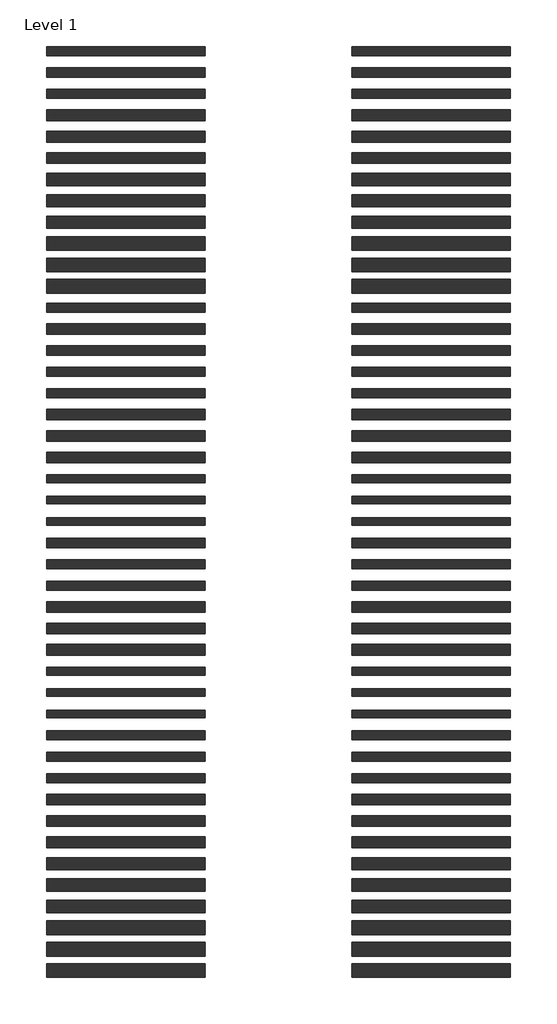
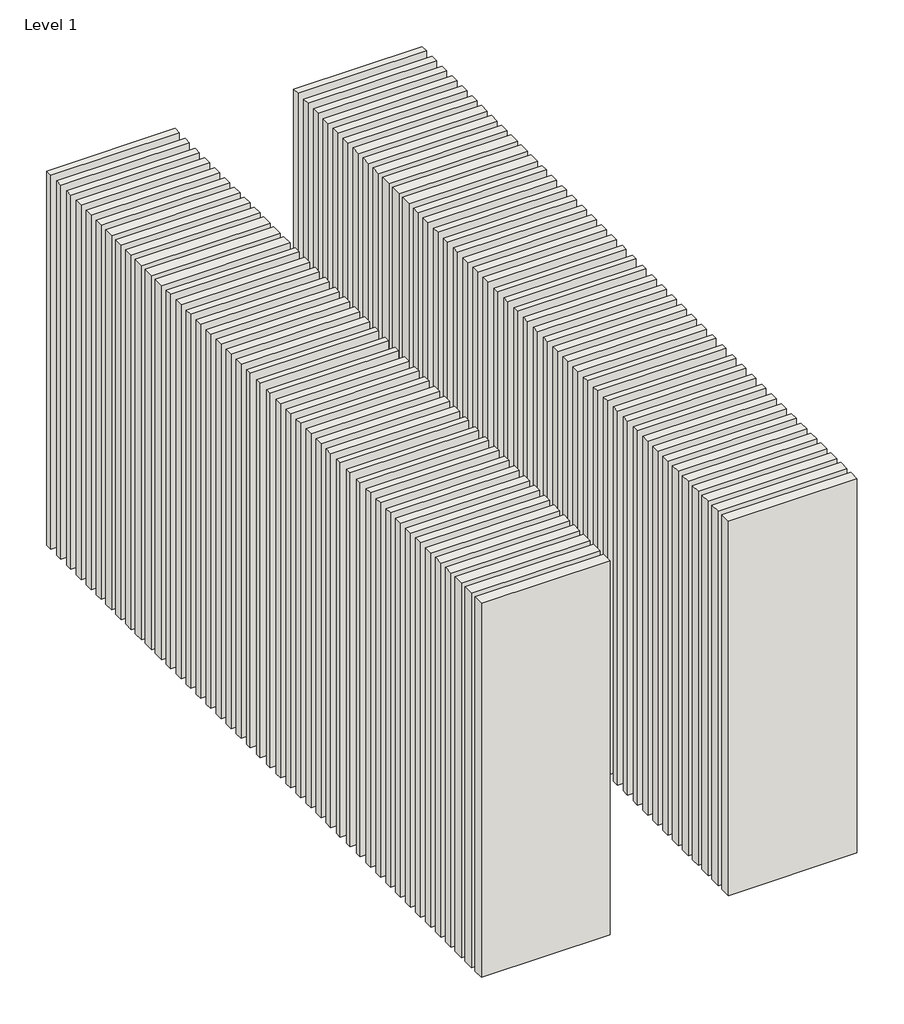
# One storey: 88 walls.
"""IFC4 building model written with IfcOpenShell, lengths in millimetres."""

from ifc_helpers import new_model, si_unit, origin, origin_with_axes, place, context, project, spatial, polyline, outline, extrude, element, save

model = new_model("IFC4")

# Units and contexts
model_context = context("Model", 3, world=origin())
ifc_project = project(units=[si_unit("LENGTHUNIT", "METRE", prefix="MILLI")], contexts=[model_context])

# Site, building, storey
site = spatial("IfcSite", under=ifc_project)
building = spatial("IfcBuilding", under=site)
storey = spatial("IfcBuildingStorey", under=building, Name="Level 1", Elevation=0.0)

# Walls
placement = place(None, origin())
element("IfcWall", 1, at=placement, inside=storey, context=model_context, shape_type="SweptSolid", body=[
    extrude(outline(polyline([(-16904.1464237, 3662.5198817), (-19504.1464237, 3662.5198817), (-19504.1464237, 3812.5198817), (-16904.1464237, 3812.5198817), (-16904.1464237, 3662.5198817)])), origin_with_axes(), (0.0, 0.0, 1.0), 8000.0),
])
element("IfcWall", 2, at=placement, inside=storey, context=model_context, shape_type="SweptSolid", body=[
    extrude(outline(polyline([(-16904.1464237, 3312.5198817), (-19504.1464237, 3312.5198817), (-19504.1464237, 3462.5198817), (-16904.1464237, 3462.5198817), (-16904.1464237, 3312.5198817)])), origin_with_axes(), (0.0, 0.0, 1.0), 8000.0),
])
element("IfcWall", 3, at=placement, inside=storey, context=model_context, shape_type="SweptSolid", body=[
    extrude(outline(polyline([(-16904.1464237, 2962.5198817), (-19504.1464237, 2962.5198817), (-19504.1464237, 3112.5198817), (-16904.1464237, 3112.5198817), (-16904.1464237, 2962.5198817)])), origin_with_axes(), (0.0, 0.0, 1.0), 8000.0),
])
element("IfcWall", 4, at=placement, inside=storey, context=model_context, shape_type="SweptSolid", body=[
    extrude(outline(polyline([(-16904.1464237, 2600.0198817), (-19504.1464237, 2600.0198817), (-19504.1464237, 2775.0198817), (-16904.1464237, 2775.0198817), (-16904.1464237, 2600.0198817)])), origin_with_axes(), (0.0, 0.0, 1.0), 8000.0),
])
element("IfcWall", 5, at=placement, inside=storey, context=model_context, shape_type="SweptSolid", body=[
    extrude(outline(polyline([(-16904.1464237, 2250.0198817), (-19504.1464237, 2250.0198817), (-19504.1464237, 2425.0198817), (-16904.1464237, 2425.0198817), (-16904.1464237, 2250.0198817)])), origin_with_axes(), (0.0, 0.0, 1.0), 8000.0),
])
element("IfcWall", 6, at=placement, inside=storey, context=model_context, shape_type="SweptSolid", body=[
    extrude(outline(polyline([(-16904.1464237, 1900.0198817), (-19504.1464237, 1900.0198817), (-19504.1464237, 2075.0198817), (-16904.1464237, 2075.0198817), (-16904.1464237, 1900.0198817)])), origin_with_axes(), (0.0, 0.0, 1.0), 8000.0),
])
element("IfcWall", 7, at=placement, inside=storey, context=model_context, shape_type="SweptSolid", body=[
    extrude(outline(polyline([(-16904.1464237, 1537.5198817), (-19504.1464237, 1537.5198817), (-19504.1464237, 1737.5198817), (-16904.1464237, 1737.5198817), (-16904.1464237, 1537.5198817)])), origin_with_axes(), (0.0, 0.0, 1.0), 8000.0),
])
element("IfcWall", 8, at=placement, inside=storey, context=model_context, shape_type="SweptSolid", body=[
    extrude(outline(polyline([(-16904.1464237, 1187.5198817), (-19504.1464237, 1187.5198817), (-19504.1464237, 1387.5198817), (-16904.1464237, 1387.5198817), (-16904.1464237, 1187.5198817)])), origin_with_axes(), (0.0, 0.0, 1.0), 8000.0),
])
element("IfcWall", 9, at=placement, inside=storey, context=model_context, shape_type="SweptSolid", body=[
    extrude(outline(polyline([(-16904.1464237, 837.5198817), (-19504.1464237, 837.5198817), (-19504.1464237, 1037.5198817), (-16904.1464237, 1037.5198817), (-16904.1464237, 837.5198817)])), origin_with_axes(), (0.0, 0.0, 1.0), 8000.0),
])
element("IfcWall", 10, at=placement, inside=storey, context=model_context, shape_type="SweptSolid", body=[
    extrude(outline(polyline([(-16904.1464237, 475.0198817), (-19504.1464237, 475.0198817), (-19504.1464237, 700.0198817), (-16904.1464237, 700.0198817), (-16904.1464237, 475.0198817)])), origin_with_axes(), (0.0, 0.0, 1.0), 8000.0),
])
element("IfcWall", 11, at=placement, inside=storey, context=model_context, shape_type="SweptSolid", body=[
    extrude(outline(polyline([(-16904.1464237, 125.0198817), (-19504.1464237, 125.0198817), (-19504.1464237, 350.0198817), (-16904.1464237, 350.0198817), (-16904.1464237, 125.0198817)])), origin_with_axes(), (0.0, 0.0, 1.0), 8000.0),
])
element("IfcWall", 12, at=placement, inside=storey, context=model_context, shape_type="SweptSolid", body=[
    extrude(outline(polyline([(-16904.1464237, -224.9801183), (-19504.1464237, -224.9801183), (-19504.1464237, 0.0198817), (-16904.1464237, 0.0198817), (-16904.1464237, -224.9801183)])), origin_with_axes(), (0.0, 0.0, 1.0), 8000.0),
])
element("IfcWall", 13, at=placement, inside=storey, context=model_context, shape_type="SweptSolid", body=[
    extrude(outline(polyline([(-16904.1464237, -537.4801183), (-19504.1464237, -537.4801183), (-19504.1464237, -387.4801183), (-16904.1464237, -387.4801183), (-16904.1464237, -537.4801183)])), origin_with_axes(), (0.0, 0.0, 1.0), 8000.0),
])
element("IfcWall", 14, at=placement, inside=storey, context=model_context, shape_type="SweptSolid", body=[
    extrude(outline(polyline([(-16904.1464237, -899.9801183), (-19504.1464237, -899.9801183), (-19504.1464237, -724.9801183), (-16904.1464237, -724.9801183), (-16904.1464237, -899.9801183)])), origin_with_axes(), (0.0, 0.0, 1.0), 8000.0),
])
element("IfcWall", 15, at=placement, inside=storey, context=model_context, shape_type="SweptSolid", body=[
    extrude(outline(polyline([(-16904.1464237, -1237.4801183), (-19504.1464237, -1237.4801183), (-19504.1464237, -1087.4801183), (-16904.1464237, -1087.4801183), (-16904.1464237, -1237.4801183)])), origin_with_axes(), (0.0, 0.0, 1.0), 8000.0),
])
element("IfcWall", 16, at=placement, inside=storey, context=model_context, shape_type="SweptSolid", body=[
    extrude(outline(polyline([(-16904.1464237, -1587.4801183), (-19504.1464237, -1587.4801183), (-19504.1464237, -1437.4801183), (-16904.1464237, -1437.4801183), (-16904.1464237, -1587.4801183)])), origin_with_axes(), (0.0, 0.0, 1.0), 8000.0),
])
element("IfcWall", 17, at=placement, inside=storey, context=model_context, shape_type="SweptSolid", body=[
    extrude(outline(polyline([(-16904.1464237, -1937.4801183), (-19504.1464237, -1937.4801183), (-19504.1464237, -1787.4801183), (-16904.1464237, -1787.4801183), (-16904.1464237, -1937.4801183)])), origin_with_axes(), (0.0, 0.0, 1.0), 8000.0),
])
element("IfcWall", 18, at=placement, inside=storey, context=model_context, shape_type="SweptSolid", body=[
    extrude(outline(polyline([(-16904.1464237, -2299.9801183), (-19504.1464237, -2299.9801183), (-19504.1464237, -2124.9801183), (-16904.1464237, -2124.9801183), (-16904.1464237, -2299.9801183)])), origin_with_axes(), (0.0, 0.0, 1.0), 8000.0),
])
element("IfcWall", 19, at=placement, inside=storey, context=model_context, shape_type="SweptSolid", body=[
    extrude(outline(polyline([(-16904.1464237, -2649.9801183), (-19504.1464237, -2649.9801183), (-19504.1464237, -2474.9801183), (-16904.1464237, -2474.9801183), (-16904.1464237, -2649.9801183)])), origin_with_axes(), (0.0, 0.0, 1.0), 8000.0),
])
element("IfcWall", 20, at=placement, inside=storey, context=model_context, shape_type="SweptSolid", body=[
    extrude(outline(polyline([(-16904.1464237, -2999.9801183), (-19504.1464237, -2999.9801183), (-19504.1464237, -2824.9801183), (-16904.1464237, -2824.9801183), (-16904.1464237, -2999.9801183)])), origin_with_axes(), (0.0, 0.0, 1.0), 8000.0),
])
element("IfcWall", 21, at=placement, inside=storey, context=model_context, shape_type="SweptSolid", body=[
    extrude(outline(polyline([(-16904.1464237, -3324.9801183), (-19504.1464237, -3324.9801183), (-19504.1464237, -3199.9801183), (-16904.1464237, -3199.9801183), (-16904.1464237, -3324.9801183)])), origin_with_axes(), (0.0, 0.0, 1.0), 8000.0),
])
element("IfcWall", 22, at=placement, inside=storey, context=model_context, shape_type="SweptSolid", body=[
    extrude(outline(polyline([(-16904.1464237, -3674.9801183), (-19504.1464237, -3674.9801183), (-19504.1464237, -3549.9801183), (-16904.1464237, -3549.9801183), (-16904.1464237, -3674.9801183)])), origin_with_axes(), (0.0, 0.0, 1.0), 8000.0),
])
element("IfcWall", 23, at=placement, inside=storey, context=model_context, shape_type="SweptSolid", body=[
    extrude(outline(polyline([(-16904.1464237, -4024.9801183), (-19504.1464237, -4024.9801183), (-19504.1464237, -3899.9801183), (-16904.1464237, -3899.9801183), (-16904.1464237, -4024.9801183)])), origin_with_axes(), (0.0, 0.0, 1.0), 8000.0),
])
element("IfcWall", 24, at=placement, inside=storey, context=model_context, shape_type="SweptSolid", body=[
    extrude(outline(polyline([(-16904.1464237, -4387.4801183), (-19504.1464237, -4387.4801183), (-19504.1464237, -4237.4801183), (-16904.1464237, -4237.4801183), (-16904.1464237, -4387.4801183)])), origin_with_axes(), (0.0, 0.0, 1.0), 8000.0),
])
element("IfcWall", 25, at=placement, inside=storey, context=model_context, shape_type="SweptSolid", body=[
    extrude(outline(polyline([(-16904.1464237, -4737.4801183), (-19504.1464237, -4737.4801183), (-19504.1464237, -4587.4801183), (-16904.1464237, -4587.4801183), (-16904.1464237, -4737.4801183)])), origin_with_axes(), (0.0, 0.0, 1.0), 8000.0),
])
element("IfcWall", 26, at=placement, inside=storey, context=model_context, shape_type="SweptSolid", body=[
    extrude(outline(polyline([(-16904.1464237, -5087.4801183), (-19504.1464237, -5087.4801183), (-19504.1464237, -4937.4801183), (-16904.1464237, -4937.4801183), (-16904.1464237, -5087.4801183)])), origin_with_axes(), (0.0, 0.0, 1.0), 8000.0),
])
element("IfcWall", 27, at=placement, inside=storey, context=model_context, shape_type="SweptSolid", body=[
    extrude(outline(polyline([(-16904.1464237, -5449.9801183), (-19504.1464237, -5449.9801183), (-19504.1464237, -5274.9801183), (-16904.1464237, -5274.9801183), (-16904.1464237, -5449.9801183)])), origin_with_axes(), (0.0, 0.0, 1.0), 8000.0),
])
element("IfcWall", 28, at=placement, inside=storey, context=model_context, shape_type="SweptSolid", body=[
    extrude(outline(polyline([(-16904.1464237, -5799.9801183), (-19504.1464237, -5799.9801183), (-19504.1464237, -5624.9801183), (-16904.1464237, -5624.9801183), (-16904.1464237, -5799.9801183)])), origin_with_axes(), (0.0, 0.0, 1.0), 8000.0),
])
element("IfcWall", 29, at=placement, inside=storey, context=model_context, shape_type="SweptSolid", body=[
    extrude(outline(polyline([(-16904.1464237, -6149.9801183), (-19504.1464237, -6149.9801183), (-19504.1464237, -5974.9801183), (-16904.1464237, -5974.9801183), (-16904.1464237, -6149.9801183)])), origin_with_axes(), (0.0, 0.0, 1.0), 8000.0),
])
element("IfcWall", 30, at=placement, inside=storey, context=model_context, shape_type="SweptSolid", body=[
    extrude(outline(polyline([(-16904.1464237, -6474.9801183), (-19504.1464237, -6474.9801183), (-19504.1464237, -6349.9801183), (-16904.1464237, -6349.9801183), (-16904.1464237, -6474.9801183)])), origin_with_axes(), (0.0, 0.0, 1.0), 8000.0),
])
element("IfcWall", 31, at=placement, inside=storey, context=model_context, shape_type="SweptSolid", body=[
    extrude(outline(polyline([(-16904.1464237, -6824.9801183), (-19504.1464237, -6824.9801183), (-19504.1464237, -6699.9801183), (-16904.1464237, -6699.9801183), (-16904.1464237, -6824.9801183)])), origin_with_axes(), (0.0, 0.0, 1.0), 8000.0),
])
element("IfcWall", 32, at=placement, inside=storey, context=model_context, shape_type="SweptSolid", body=[
    extrude(outline(polyline([(-16904.1464237, -7174.9801183), (-19504.1464237, -7174.9801183), (-19504.1464237, -7049.9801183), (-16904.1464237, -7049.9801183), (-16904.1464237, -7174.9801183)])), origin_with_axes(), (0.0, 0.0, 1.0), 8000.0),
])
element("IfcWall", 33, at=placement, inside=storey, context=model_context, shape_type="SweptSolid", body=[
    extrude(outline(polyline([(-16904.1464237, -7537.4801183), (-19504.1464237, -7537.4801183), (-19504.1464237, -7387.4801183), (-16904.1464237, -7387.4801183), (-16904.1464237, -7537.4801183)])), origin_with_axes(), (0.0, 0.0, 1.0), 8000.0),
])
element("IfcWall", 34, at=placement, inside=storey, context=model_context, shape_type="SweptSolid", body=[
    extrude(outline(polyline([(-16904.1464237, -7887.4801183), (-19504.1464237, -7887.4801183), (-19504.1464237, -7737.4801183), (-16904.1464237, -7737.4801183), (-16904.1464237, -7887.4801183)])), origin_with_axes(), (0.0, 0.0, 1.0), 8000.0),
])
element("IfcWall", 35, at=placement, inside=storey, context=model_context, shape_type="SweptSolid", body=[
    extrude(outline(polyline([(-16904.1464237, -8237.4801183), (-19504.1464237, -8237.4801183), (-19504.1464237, -8087.4801183), (-16904.1464237, -8087.4801183), (-16904.1464237, -8237.4801183)])), origin_with_axes(), (0.0, 0.0, 1.0), 8000.0),
])
element("IfcWall", 36, at=placement, inside=storey, context=model_context, shape_type="SweptSolid", body=[
    extrude(outline(polyline([(-16904.1464237, -8599.9801183), (-19504.1464237, -8599.9801183), (-19504.1464237, -8424.9801183), (-16904.1464237, -8424.9801183), (-16904.1464237, -8599.9801183)])), origin_with_axes(), (0.0, 0.0, 1.0), 8000.0),
])
element("IfcWall", 37, at=placement, inside=storey, context=model_context, shape_type="SweptSolid", body=[
    extrude(outline(polyline([(-16904.1464237, -8949.9801183), (-19504.1464237, -8949.9801183), (-19504.1464237, -8774.9801183), (-16904.1464237, -8774.9801183), (-16904.1464237, -8949.9801183)])), origin_with_axes(), (0.0, 0.0, 1.0), 8000.0),
])
element("IfcWall", 38, at=placement, inside=storey, context=model_context, shape_type="SweptSolid", body=[
    extrude(outline(polyline([(-16904.1464237, -9299.9801183), (-19504.1464237, -9299.9801183), (-19504.1464237, -9124.9801183), (-16904.1464237, -9124.9801183), (-16904.1464237, -9299.9801183)])), origin_with_axes(), (0.0, 0.0, 1.0), 8000.0),
])
element("IfcWall", 39, at=placement, inside=storey, context=model_context, shape_type="SweptSolid", body=[
    extrude(outline(polyline([(-16904.1464237, -9662.4801183), (-19504.1464237, -9662.4801183), (-19504.1464237, -9462.4801183), (-16904.1464237, -9462.4801183), (-16904.1464237, -9662.4801183)])), origin_with_axes(), (0.0, 0.0, 1.0), 8000.0),
])
element("IfcWall", 40, at=placement, inside=storey, context=model_context, shape_type="SweptSolid", body=[
    extrude(outline(polyline([(-16904.1464237, -10012.4801183), (-19504.1464237, -10012.4801183), (-19504.1464237, -9812.4801183), (-16904.1464237, -9812.4801183), (-16904.1464237, -10012.4801183)])), origin_with_axes(), (0.0, 0.0, 1.0), 8000.0),
])
element("IfcWall", 41, at=placement, inside=storey, context=model_context, shape_type="SweptSolid", body=[
    extrude(outline(polyline([(-16904.1464237, -10362.4801183), (-19504.1464237, -10362.4801183), (-19504.1464237, -10162.4801183), (-16904.1464237, -10162.4801183), (-16904.1464237, -10362.4801183)])), origin_with_axes(), (0.0, 0.0, 1.0), 8000.0),
])
element("IfcWall", 42, at=placement, inside=storey, context=model_context, shape_type="SweptSolid", body=[
    extrude(outline(polyline([(-16904.1464237, -10724.9801183), (-19504.1464237, -10724.9801183), (-19504.1464237, -10499.9801183), (-16904.1464237, -10499.9801183), (-16904.1464237, -10724.9801183)])), origin_with_axes(), (0.0, 0.0, 1.0), 8000.0),
])
element("IfcWall", 43, at=placement, inside=storey, context=model_context, shape_type="SweptSolid", body=[
    extrude(outline(polyline([(-16904.1464237, -11074.9801183), (-19504.1464237, -11074.9801183), (-19504.1464237, -10849.9801183), (-16904.1464237, -10849.9801183), (-16904.1464237, -11074.9801183)])), origin_with_axes(), (0.0, 0.0, 1.0), 8000.0),
])
element("IfcWall", 44, at=placement, inside=storey, context=model_context, shape_type="SweptSolid", body=[
    extrude(outline(polyline([(-16904.1464237, -11424.9801183), (-19504.1464237, -11424.9801183), (-19504.1464237, -11199.9801183), (-16904.1464237, -11199.9801183), (-16904.1464237, -11424.9801183)])), origin_with_axes(), (0.0, 0.0, 1.0), 8000.0),
])
element("IfcWall", 45, at=placement, inside=storey, context=model_context, shape_type="SweptSolid", body=[
    extrude(outline(polyline([(-11904.1464237, 3662.5198817), (-14504.1464237, 3662.5198817), (-14504.1464237, 3812.5198817), (-11904.1464237, 3812.5198817), (-11904.1464237, 3662.5198817)])), origin_with_axes(), (0.0, 0.0, 1.0), 8000.0),
])
element("IfcWall", 46, at=placement, inside=storey, context=model_context, shape_type="SweptSolid", body=[
    extrude(outline(polyline([(-11904.1464237, 3312.5198817), (-14504.1464237, 3312.5198817), (-14504.1464237, 3462.5198817), (-11904.1464237, 3462.5198817), (-11904.1464237, 3312.5198817)])), origin_with_axes(), (0.0, 0.0, 1.0), 8000.0),
])
element("IfcWall", 47, at=placement, inside=storey, context=model_context, shape_type="SweptSolid", body=[
    extrude(outline(polyline([(-11904.1464237, 2962.5198817), (-14504.1464237, 2962.5198817), (-14504.1464237, 3112.5198817), (-11904.1464237, 3112.5198817), (-11904.1464237, 2962.5198817)])), origin_with_axes(), (0.0, 0.0, 1.0), 8000.0),
])
element("IfcWall", 48, at=placement, inside=storey, context=model_context, shape_type="SweptSolid", body=[
    extrude(outline(polyline([(-11904.1464237, 2600.0198817), (-14504.1464237, 2600.0198817), (-14504.1464237, 2775.0198817), (-11904.1464237, 2775.0198817), (-11904.1464237, 2600.0198817)])), origin_with_axes(), (0.0, 0.0, 1.0), 8000.0),
])
element("IfcWall", 49, at=placement, inside=storey, context=model_context, shape_type="SweptSolid", body=[
    extrude(outline(polyline([(-11904.1464237, 2250.0198817), (-14504.1464237, 2250.0198817), (-14504.1464237, 2425.0198817), (-11904.1464237, 2425.0198817), (-11904.1464237, 2250.0198817)])), origin_with_axes(), (0.0, 0.0, 1.0), 8000.0),
])
element("IfcWall", 50, at=placement, inside=storey, context=model_context, shape_type="SweptSolid", body=[
    extrude(outline(polyline([(-11904.1464237, 1900.0198817), (-14504.1464237, 1900.0198817), (-14504.1464237, 2075.0198817), (-11904.1464237, 2075.0198817), (-11904.1464237, 1900.0198817)])), origin_with_axes(), (0.0, 0.0, 1.0), 8000.0),
])
element("IfcWall", 51, at=placement, inside=storey, context=model_context, shape_type="SweptSolid", body=[
    extrude(outline(polyline([(-11904.1464237, 1537.5198817), (-14504.1464237, 1537.5198817), (-14504.1464237, 1737.5198817), (-11904.1464237, 1737.5198817), (-11904.1464237, 1537.5198817)])), origin_with_axes(), (0.0, 0.0, 1.0), 8000.0),
])
element("IfcWall", 52, at=placement, inside=storey, context=model_context, shape_type="SweptSolid", body=[
    extrude(outline(polyline([(-11904.1464237, 1187.5198817), (-14504.1464237, 1187.5198817), (-14504.1464237, 1387.5198817), (-11904.1464237, 1387.5198817), (-11904.1464237, 1187.5198817)])), origin_with_axes(), (0.0, 0.0, 1.0), 8000.0),
])
element("IfcWall", 53, at=placement, inside=storey, context=model_context, shape_type="SweptSolid", body=[
    extrude(outline(polyline([(-11904.1464237, 837.5198817), (-14504.1464237, 837.5198817), (-14504.1464237, 1037.5198817), (-11904.1464237, 1037.5198817), (-11904.1464237, 837.5198817)])), origin_with_axes(), (0.0, 0.0, 1.0), 8000.0),
])
element("IfcWall", 54, at=placement, inside=storey, context=model_context, shape_type="SweptSolid", body=[
    extrude(outline(polyline([(-11904.1464237, 475.0198817), (-14504.1464237, 475.0198817), (-14504.1464237, 700.0198817), (-11904.1464237, 700.0198817), (-11904.1464237, 475.0198817)])), origin_with_axes(), (0.0, 0.0, 1.0), 8000.0),
])
element("IfcWall", 55, at=placement, inside=storey, context=model_context, shape_type="SweptSolid", body=[
    extrude(outline(polyline([(-11904.1464237, 125.0198817), (-14504.1464237, 125.0198817), (-14504.1464237, 350.0198817), (-11904.1464237, 350.0198817), (-11904.1464237, 125.0198817)])), origin_with_axes(), (0.0, 0.0, 1.0), 8000.0),
])
element("IfcWall", 56, at=placement, inside=storey, context=model_context, shape_type="SweptSolid", body=[
    extrude(outline(polyline([(-11904.1464237, -224.9801183), (-14504.1464237, -224.9801183), (-14504.1464237, 0.0198817), (-11904.1464237, 0.0198817), (-11904.1464237, -224.9801183)])), origin_with_axes(), (0.0, 0.0, 1.0), 8000.0),
])
element("IfcWall", 57, at=placement, inside=storey, context=model_context, shape_type="SweptSolid", body=[
    extrude(outline(polyline([(-11904.1464237, -537.4801183), (-14504.1464237, -537.4801183), (-14504.1464237, -387.4801183), (-11904.1464237, -387.4801183), (-11904.1464237, -537.4801183)])), origin_with_axes(), (0.0, 0.0, 1.0), 8000.0),
])
element("IfcWall", 58, at=placement, inside=storey, context=model_context, shape_type="SweptSolid", body=[
    extrude(outline(polyline([(-11904.1464237, -899.9801183), (-14504.1464237, -899.9801183), (-14504.1464237, -724.9801183), (-11904.1464237, -724.9801183), (-11904.1464237, -899.9801183)])), origin_with_axes(), (0.0, 0.0, 1.0), 8000.0),
])
element("IfcWall", 59, at=placement, inside=storey, context=model_context, shape_type="SweptSolid", body=[
    extrude(outline(polyline([(-11904.1464237, -1237.4801183), (-14504.1464237, -1237.4801183), (-14504.1464237, -1087.4801183), (-11904.1464237, -1087.4801183), (-11904.1464237, -1237.4801183)])), origin_with_axes(), (0.0, 0.0, 1.0), 8000.0),
])
element("IfcWall", 60, at=placement, inside=storey, context=model_context, shape_type="SweptSolid", body=[
    extrude(outline(polyline([(-11904.1464237, -1587.4801183), (-14504.1464237, -1587.4801183), (-14504.1464237, -1437.4801183), (-11904.1464237, -1437.4801183), (-11904.1464237, -1587.4801183)])), origin_with_axes(), (0.0, 0.0, 1.0), 8000.0),
])
element("IfcWall", 61, at=placement, inside=storey, context=model_context, shape_type="SweptSolid", body=[
    extrude(outline(polyline([(-11904.1464237, -1937.4801183), (-14504.1464237, -1937.4801183), (-14504.1464237, -1787.4801183), (-11904.1464237, -1787.4801183), (-11904.1464237, -1937.4801183)])), origin_with_axes(), (0.0, 0.0, 1.0), 8000.0),
])
element("IfcWall", 62, at=placement, inside=storey, context=model_context, shape_type="SweptSolid", body=[
    extrude(outline(polyline([(-11904.1464237, -2299.9801183), (-14504.1464237, -2299.9801183), (-14504.1464237, -2124.9801183), (-11904.1464237, -2124.9801183), (-11904.1464237, -2299.9801183)])), origin_with_axes(), (0.0, 0.0, 1.0), 8000.0),
])
element("IfcWall", 63, at=placement, inside=storey, context=model_context, shape_type="SweptSolid", body=[
    extrude(outline(polyline([(-11904.1464237, -2649.9801183), (-14504.1464237, -2649.9801183), (-14504.1464237, -2474.9801183), (-11904.1464237, -2474.9801183), (-11904.1464237, -2649.9801183)])), origin_with_axes(), (0.0, 0.0, 1.0), 8000.0),
])
element("IfcWall", 64, at=placement, inside=storey, context=model_context, shape_type="SweptSolid", body=[
    extrude(outline(polyline([(-11904.1464237, -2999.9801183), (-14504.1464237, -2999.9801183), (-14504.1464237, -2824.9801183), (-11904.1464237, -2824.9801183), (-11904.1464237, -2999.9801183)])), origin_with_axes(), (0.0, 0.0, 1.0), 8000.0),
])
element("IfcWall", 65, at=placement, inside=storey, context=model_context, shape_type="SweptSolid", body=[
    extrude(outline(polyline([(-11904.1464237, -3324.9801183), (-14504.1464237, -3324.9801183), (-14504.1464237, -3199.9801183), (-11904.1464237, -3199.9801183), (-11904.1464237, -3324.9801183)])), origin_with_axes(), (0.0, 0.0, 1.0), 8000.0),
])
element("IfcWall", 66, at=placement, inside=storey, context=model_context, shape_type="SweptSolid", body=[
    extrude(outline(polyline([(-11904.1464237, -3674.9801183), (-14504.1464237, -3674.9801183), (-14504.1464237, -3549.9801183), (-11904.1464237, -3549.9801183), (-11904.1464237, -3674.9801183)])), origin_with_axes(), (0.0, 0.0, 1.0), 8000.0),
])
element("IfcWall", 67, at=placement, inside=storey, context=model_context, shape_type="SweptSolid", body=[
    extrude(outline(polyline([(-11904.1464237, -4024.9801183), (-14504.1464237, -4024.9801183), (-14504.1464237, -3899.9801183), (-11904.1464237, -3899.9801183), (-11904.1464237, -4024.9801183)])), origin_with_axes(), (0.0, 0.0, 1.0), 8000.0),
])
element("IfcWall", 68, at=placement, inside=storey, context=model_context, shape_type="SweptSolid", body=[
    extrude(outline(polyline([(-11904.1464237, -4387.4801183), (-14504.1464237, -4387.4801183), (-14504.1464237, -4237.4801183), (-11904.1464237, -4237.4801183), (-11904.1464237, -4387.4801183)])), origin_with_axes(), (0.0, 0.0, 1.0), 8000.0),
])
element("IfcWall", 69, at=placement, inside=storey, context=model_context, shape_type="SweptSolid", body=[
    extrude(outline(polyline([(-11904.1464237, -4737.4801183), (-14504.1464237, -4737.4801183), (-14504.1464237, -4587.4801183), (-11904.1464237, -4587.4801183), (-11904.1464237, -4737.4801183)])), origin_with_axes(), (0.0, 0.0, 1.0), 8000.0),
])
element("IfcWall", 70, at=placement, inside=storey, context=model_context, shape_type="SweptSolid", body=[
    extrude(outline(polyline([(-11904.1464237, -5087.4801183), (-14504.1464237, -5087.4801183), (-14504.1464237, -4937.4801183), (-11904.1464237, -4937.4801183), (-11904.1464237, -5087.4801183)])), origin_with_axes(), (0.0, 0.0, 1.0), 8000.0),
])
element("IfcWall", 71, at=placement, inside=storey, context=model_context, shape_type="SweptSolid", body=[
    extrude(outline(polyline([(-11904.1464237, -5449.9801183), (-14504.1464237, -5449.9801183), (-14504.1464237, -5274.9801183), (-11904.1464237, -5274.9801183), (-11904.1464237, -5449.9801183)])), origin_with_axes(), (0.0, 0.0, 1.0), 8000.0),
])
element("IfcWall", 72, at=placement, inside=storey, context=model_context, shape_type="SweptSolid", body=[
    extrude(outline(polyline([(-11904.1464237, -5799.9801183), (-14504.1464237, -5799.9801183), (-14504.1464237, -5624.9801183), (-11904.1464237, -5624.9801183), (-11904.1464237, -5799.9801183)])), origin_with_axes(), (0.0, 0.0, 1.0), 8000.0),
])
element("IfcWall", 73, at=placement, inside=storey, context=model_context, shape_type="SweptSolid", body=[
    extrude(outline(polyline([(-11904.1464237, -6149.9801183), (-14504.1464237, -6149.9801183), (-14504.1464237, -5974.9801183), (-11904.1464237, -5974.9801183), (-11904.1464237, -6149.9801183)])), origin_with_axes(), (0.0, 0.0, 1.0), 8000.0),
])
element("IfcWall", 74, at=placement, inside=storey, context=model_context, shape_type="SweptSolid", body=[
    extrude(outline(polyline([(-11904.1464237, -6474.9801183), (-14504.1464237, -6474.9801183), (-14504.1464237, -6349.9801183), (-11904.1464237, -6349.9801183), (-11904.1464237, -6474.9801183)])), origin_with_axes(), (0.0, 0.0, 1.0), 8000.0),
])
element("IfcWall", 75, at=placement, inside=storey, context=model_context, shape_type="SweptSolid", body=[
    extrude(outline(polyline([(-11904.1464237, -6824.9801183), (-14504.1464237, -6824.9801183), (-14504.1464237, -6699.9801183), (-11904.1464237, -6699.9801183), (-11904.1464237, -6824.9801183)])), origin_with_axes(), (0.0, 0.0, 1.0), 8000.0),
])
element("IfcWall", 76, at=placement, inside=storey, context=model_context, shape_type="SweptSolid", body=[
    extrude(outline(polyline([(-11904.1464237, -7174.9801183), (-14504.1464237, -7174.9801183), (-14504.1464237, -7049.9801183), (-11904.1464237, -7049.9801183), (-11904.1464237, -7174.9801183)])), origin_with_axes(), (0.0, 0.0, 1.0), 8000.0),
])
element("IfcWall", 77, at=placement, inside=storey, context=model_context, shape_type="SweptSolid", body=[
    extrude(outline(polyline([(-11904.1464237, -7537.4801183), (-14504.1464237, -7537.4801183), (-14504.1464237, -7387.4801183), (-11904.1464237, -7387.4801183), (-11904.1464237, -7537.4801183)])), origin_with_axes(), (0.0, 0.0, 1.0), 8000.0),
])
element("IfcWall", 78, at=placement, inside=storey, context=model_context, shape_type="SweptSolid", body=[
    extrude(outline(polyline([(-11904.1464237, -7887.4801183), (-14504.1464237, -7887.4801183), (-14504.1464237, -7737.4801183), (-11904.1464237, -7737.4801183), (-11904.1464237, -7887.4801183)])), origin_with_axes(), (0.0, 0.0, 1.0), 8000.0),
])
element("IfcWall", 79, at=placement, inside=storey, context=model_context, shape_type="SweptSolid", body=[
    extrude(outline(polyline([(-11904.1464237, -8237.4801183), (-14504.1464237, -8237.4801183), (-14504.1464237, -8087.4801183), (-11904.1464237, -8087.4801183), (-11904.1464237, -8237.4801183)])), origin_with_axes(), (0.0, 0.0, 1.0), 8000.0),
])
element("IfcWall", 80, at=placement, inside=storey, context=model_context, shape_type="SweptSolid", body=[
    extrude(outline(polyline([(-11904.1464237, -8599.9801183), (-14504.1464237, -8599.9801183), (-14504.1464237, -8424.9801183), (-11904.1464237, -8424.9801183), (-11904.1464237, -8599.9801183)])), origin_with_axes(), (0.0, 0.0, 1.0), 8000.0),
])
element("IfcWall", 81, at=placement, inside=storey, context=model_context, shape_type="SweptSolid", body=[
    extrude(outline(polyline([(-11904.1464237, -8949.9801183), (-14504.1464237, -8949.9801183), (-14504.1464237, -8774.9801183), (-11904.1464237, -8774.9801183), (-11904.1464237, -8949.9801183)])), origin_with_axes(), (0.0, 0.0, 1.0), 8000.0),
])
element("IfcWall", 82, at=placement, inside=storey, context=model_context, shape_type="SweptSolid", body=[
    extrude(outline(polyline([(-11904.1464237, -9299.9801183), (-14504.1464237, -9299.9801183), (-14504.1464237, -9124.9801183), (-11904.1464237, -9124.9801183), (-11904.1464237, -9299.9801183)])), origin_with_axes(), (0.0, 0.0, 1.0), 8000.0),
])
element("IfcWall", 83, at=placement, inside=storey, context=model_context, shape_type="SweptSolid", body=[
    extrude(outline(polyline([(-11904.1464237, -9662.4801183), (-14504.1464237, -9662.4801183), (-14504.1464237, -9462.4801183), (-11904.1464237, -9462.4801183), (-11904.1464237, -9662.4801183)])), origin_with_axes(), (0.0, 0.0, 1.0), 8000.0),
])
element("IfcWall", 84, at=placement, inside=storey, context=model_context, shape_type="SweptSolid", body=[
    extrude(outline(polyline([(-11904.1464237, -10012.4801183), (-14504.1464237, -10012.4801183), (-14504.1464237, -9812.4801183), (-11904.1464237, -9812.4801183), (-11904.1464237, -10012.4801183)])), origin_with_axes(), (0.0, 0.0, 1.0), 8000.0),
])
element("IfcWall", 85, at=placement, inside=storey, context=model_context, shape_type="SweptSolid", body=[
    extrude(outline(polyline([(-11904.1464237, -10362.4801183), (-14504.1464237, -10362.4801183), (-14504.1464237, -10162.4801183), (-11904.1464237, -10162.4801183), (-11904.1464237, -10362.4801183)])), origin_with_axes(), (0.0, 0.0, 1.0), 8000.0),
])
element("IfcWall", 86, at=placement, inside=storey, context=model_context, shape_type="SweptSolid", body=[
    extrude(outline(polyline([(-11904.1464237, -10724.9801183), (-14504.1464237, -10724.9801183), (-14504.1464237, -10499.9801183), (-11904.1464237, -10499.9801183), (-11904.1464237, -10724.9801183)])), origin_with_axes(), (0.0, 0.0, 1.0), 8000.0),
])
element("IfcWall", 87, at=placement, inside=storey, context=model_context, shape_type="SweptSolid", body=[
    extrude(outline(polyline([(-11904.1464237, -11074.9801183), (-14504.1464237, -11074.9801183), (-14504.1464237, -10849.9801183), (-11904.1464237, -10849.9801183), (-11904.1464237, -11074.9801183)])), origin_with_axes(), (0.0, 0.0, 1.0), 8000.0),
])
element("IfcWall", 88, at=placement, inside=storey, context=model_context, shape_type="SweptSolid", body=[
    extrude(outline(polyline([(-11904.1464237, -11424.9801183), (-14504.1464237, -11424.9801183), (-14504.1464237, -11199.9801183), (-11904.1464237, -11199.9801183), (-11904.1464237, -11424.9801183)])), origin_with_axes(), (0.0, 0.0, 1.0), 8000.0),
])

save(model, "model.ifc")
